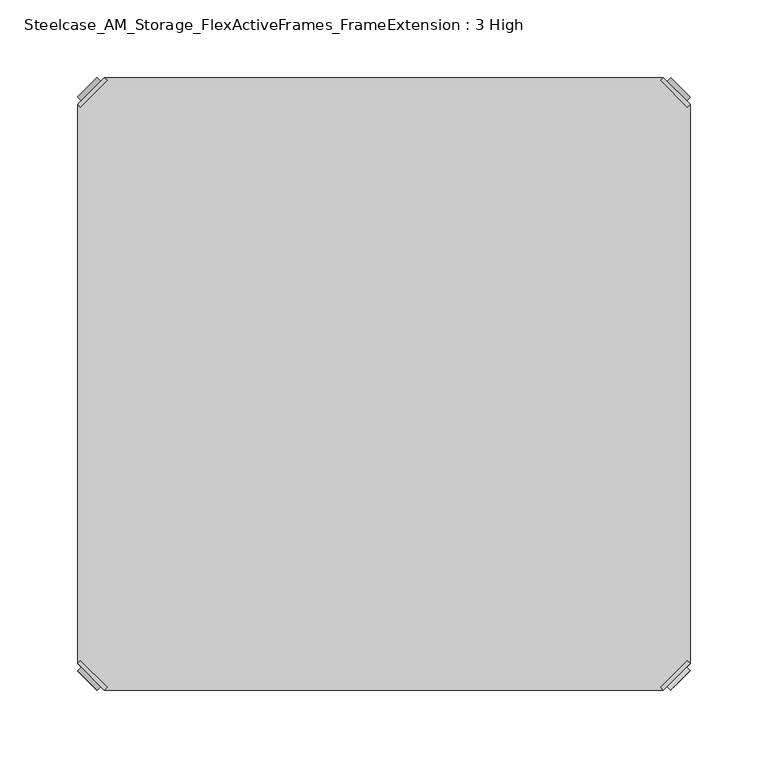
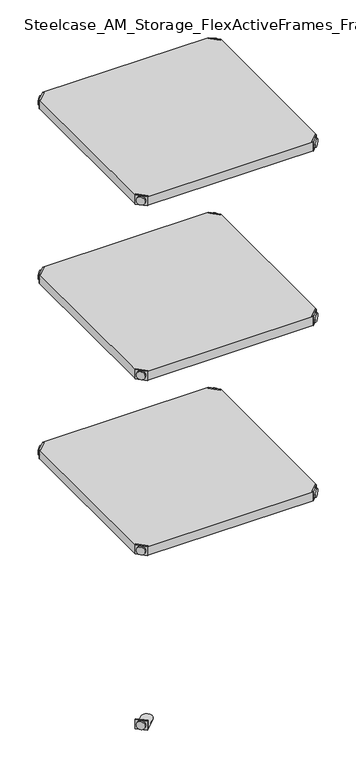
"""IFC4 building model written with IfcOpenShell, lengths in millimetres: furniture geometry, Steelcase_AM_Storage_FlexActiveFrames_FrameExtension : 3 High."""

from ifc_helpers import new_model, si_unit, frame, origin, place, context, project, spatial, polyline, circle_curve, outline, extrude, source, transform, mapped, element, save
from ifc_brep_helpers import plane_surface, cylinder_surface, advanced_brep


def steelcase_am_storage_flexactiveframes_frameextension_3_high_4e09708e(model_context):
    return source(origin(), model_context, "Body", "SolidModel", [
        advanced_brep(
        [(2.54, -380.2870969, 923.29), (19.7629031, -397.51, 923.29), (21.5589544, -395.7139488, 923.29), (4.3360512, -378.4910456, 923.29), (2.54, -380.2870969, 901.954), (19.7629031, -397.51, 901.954), (4.8652723, -382.6123691, 913.13), (17.4376309, -395.1847277, 913.13), (30.2920522, -352.5350447, 902.97), (4.3360512, -378.4910456, 902.97), (21.5589544, -395.7139488, 902.97), (47.5149553, -369.7579478, 902.97), (30.2920522, -352.5350447, 901.954), (47.5149553, -369.7579478, 901.954), (15.1227513, -397.4996073, 913.13), (2.5503927, -384.9272487, 913.13)],
        [
            (0, 1),
            (1, 2),
            (2, 3),
            (3, 0),
            (0, 4),
            (4, 5),
            (5, 1),
            (6, 7, circle_curve(frame((11.1514516, -388.8985484, 913.13), z_axis=(0.7071067811865446, 0.7071067811865505, 0.0), x_axis=(-0.7071067811865505, 0.7071067811865446, 0.0)), 8.89)),
            (7, 6, circle_curve(frame((11.1514516, -388.8985484, 913.13), z_axis=(0.7071067811865446, 0.7071067811865505, 0.0), x_axis=(-0.7071067811865505, 0.7071067811865446, 0.0)), 8.89)),
            (8, 9),
            (9, 10),
            (10, 11),
            (11, 8, circle_curve(frame((38.9035037, -361.1464963, 902.97), z_axis=(0.0, 0.0, 1.0), x_axis=(1.0, 0.0, 0.0)), 12.1784316)),
            (12, 13, circle_curve(frame((38.9035037, -361.1464963, 901.954), z_axis=(0.0, 0.0, -1.0), x_axis=(1.0, 0.0, 0.0)), 12.1784316)),
            (13, 5),
            (4, 12),
            (14, 15, circle_curve(frame((8.836572, -391.213428, 913.13), z_axis=(-0.7071067811865446, -0.7071067811865505, 0.0), x_axis=(-0.7071067811865505, 0.7071067811865446, 0.0)), 8.89)),
            (15, 14, circle_curve(frame((8.836572, -391.213428, 913.13), z_axis=(-0.7071067811865446, -0.7071067811865505, 0.0), x_axis=(-0.7071067811865505, 0.7071067811865446, 0.0)), 8.89)),
            (15, 6),
            (7, 14),
            (2, 10),
            (9, 3),
            (11, 13),
            (12, 8),
        ],
        [
            plane_surface(frame((-19.6579872, -402.485084, 923.29), z_axis=(0.0, 0.0, 1.0000000000000002), x_axis=(0.7071067811865436, 0.7071067811865516, 0.0))),
            plane_surface(frame((19.7629031, -397.51, 923.29), z_axis=(-0.7071067811865447, -0.7071067811865503, 0.0), x_axis=(0.0, 0.0, -1.0))),
            plane_surface(frame((51.0819353, -361.1464963, 902.97), z_axis=(0.0, 0.0, 1.0), x_axis=(0.0, -1.0, 0.0))),
            plane_surface(frame((51.0819353, -361.1464963, 901.954), z_axis=(0.0, 0.0, -1.0), x_axis=(0.0, 1.0, 0.0))),
            plane_surface(frame((2.5503927, -384.9272487, 913.13), z_axis=(-0.7071067811865446, -0.7071067811865505, 0.0), x_axis=(0.0, 0.0, 1.0))),
            cylinder_surface(frame((11.1514516, -388.8985484, 913.13), z_axis=(-0.7071067811865446, -0.7071067811865505, 0.0), x_axis=(-0.7071067811865505, 0.7071067811865446, 0.0)), 8.89),
            plane_surface(frame((4.3360512, -378.4910456, 923.29), z_axis=(0.7071067811865447, 0.7071067811865503, 0.0), x_axis=(0.0, 0.0, -1.0))),
            cylinder_surface(frame((38.9035037, -361.1464963, 901.954), z_axis=(0.0, 0.0, 1.0), x_axis=(1.0, 0.0, 0.0)), 12.1784316),
            plane_surface(frame((2.54, -380.2870969, 923.29), z_axis=(-0.7071067811865516, 0.7071067811865436, 0.0), x_axis=(0.0, 0.0, -1.0))),
            plane_surface(frame((21.5589544, -395.7139488, 923.29), z_axis=(0.7071067811865513, -0.7071067811865437, 0.0), x_axis=(0.0, 0.0, -1.0))),
        ],
        [
            (0, [[1, 2, 3, 4]]),
            (1, [[5, 6, 7, -1], [8, 9]]),
            (2, [[10, 11, 12, 13]]),
            (3, [[14, 15, -6, 16]]),
            (4, [[17, 18]]),
            (5, [[19, -9, 20, -18]]),
            (5, [[-20, -8, -19, -17]]),
            (6, [[21, -11, 22, -3]]),
            (7, [[23, -14, 24, -13]]),
            (8, [[-22, -10, -24, -16, -5, -4]]),
            (9, [[-7, -15, -23, -12, -21, -2]]),
        ],
    ),
        advanced_brep(
        [(397.51, -380.2870969, 923.29), (395.7139488, -378.4910456, 923.29), (378.4910456, -395.7139488, 923.29), (380.2870969, -397.51, 923.29), (380.2870969, -397.51, 901.954), (397.51, -380.2870969, 901.954), (395.1847277, -382.6123691, 913.13), (382.6123691, -395.1847277, 913.13), (369.7579478, -352.5350447, 902.97), (352.5350447, -369.7579478, 902.97), (378.4910456, -395.7139488, 902.97), (395.7139488, -378.4910456, 902.97), (369.7579478, -352.5350447, 901.954), (352.5350447, -369.7579478, 901.954), (384.9272487, -397.4996073, 913.13), (397.4996073, -384.9272487, 913.13)],
        [
            (0, 1),
            (1, 2),
            (2, 3),
            (3, 0),
            (3, 4),
            (4, 5),
            (5, 0),
            (6, 7, circle_curve(frame((388.8985484, -388.8985484, 913.13), z_axis=(-0.7071067811865446, 0.7071067811865505, 0.0), x_axis=(0.7071067811865505, 0.7071067811865446, 0.0)), 8.89)),
            (7, 6, circle_curve(frame((388.8985484, -388.8985484, 913.13), z_axis=(-0.7071067811865446, 0.7071067811865505, 0.0), x_axis=(0.7071067811865505, 0.7071067811865446, 0.0)), 8.89)),
            (8, 9, circle_curve(frame((361.1464963, -361.1464963, 902.97), z_axis=(0.0, 0.0, 1.0), x_axis=(-1.0, 0.0, 0.0)), 12.1784316)),
            (9, 10),
            (10, 11),
            (11, 8),
            (12, 5),
            (4, 13),
            (13, 12, circle_curve(frame((361.1464963, -361.1464963, 901.954), z_axis=(0.0, 0.0, -1.0), x_axis=(-1.0, 0.0, 0.0)), 12.1784316)),
            (14, 15, circle_curve(frame((391.213428, -391.213428, 913.13), z_axis=(0.7071067811865446, -0.7071067811865505, 0.0), x_axis=(0.7071067811865505, 0.7071067811865446, 0.0)), 8.89)),
            (15, 14, circle_curve(frame((391.213428, -391.213428, 913.13), z_axis=(0.7071067811865446, -0.7071067811865505, 0.0), x_axis=(0.7071067811865505, 0.7071067811865446, 0.0)), 8.89)),
            (14, 7),
            (6, 15),
            (1, 11),
            (10, 2),
            (8, 12),
            (13, 9),
        ],
        [
            plane_surface(frame((419.7079872, -402.485084, 923.29), z_axis=(0.0, 0.0, 1.0000000000000002), x_axis=(-0.7071067811865436, 0.7071067811865516, 0.0))),
            plane_surface(frame((380.2870969, -397.51, 923.29), z_axis=(0.7071067811865447, -0.7071067811865503, 0.0), x_axis=(0.0, 0.0, -1.0))),
            plane_surface(frame((348.9680647, -361.1464963, 902.97), z_axis=(0.0, 0.0, 1.0), x_axis=(0.0, -1.0, 0.0))),
            plane_surface(frame((348.9680647, -361.1464963, 901.954), z_axis=(0.0, 0.0, -1.0), x_axis=(0.0, 1.0, 0.0))),
            plane_surface(frame((397.4996073, -384.9272487, 913.13), z_axis=(0.7071067811865446, -0.7071067811865505, 0.0), x_axis=(0.0, 0.0, 1.0))),
            cylinder_surface(frame((388.8985484, -388.8985484, 913.13), z_axis=(0.7071067811865446, -0.7071067811865505, 0.0), x_axis=(0.7071067811865505, 0.7071067811865446, 0.0)), 8.89),
            plane_surface(frame((395.7139488, -378.4910456, 923.29), z_axis=(-0.7071067811865447, 0.7071067811865503, 0.0), x_axis=(0.0, 0.0, -1.0))),
            cylinder_surface(frame((361.1464963, -361.1464963, 901.954), z_axis=(0.0, 0.0, 1.0), x_axis=(-1.0, 0.0, 0.0)), 12.1784316),
            plane_surface(frame((397.51, -380.2870969, 923.29), z_axis=(0.7071067811865516, 0.7071067811865436, 0.0), x_axis=(0.0, 0.0, -1.0))),
            plane_surface(frame((378.4910456, -395.7139488, 923.29), z_axis=(-0.7071067811865513, -0.7071067811865437, 0.0), x_axis=(0.0, 0.0, -1.0))),
        ],
        [
            (0, [[1, 2, 3, 4]]),
            (1, [[-4, 5, 6, 7], [8, 9]]),
            (2, [[10, 11, 12, 13]]),
            (3, [[14, -6, 15, 16]]),
            (4, [[17, 18]]),
            (5, [[-17, 19, -8, 20]]),
            (5, [[-18, -20, -9, -19]]),
            (6, [[-2, 21, -12, 22]]),
            (7, [[-10, 23, -16, 24]]),
            (8, [[-1, -7, -14, -23, -13, -21]]),
            (9, [[-3, -22, -11, -24, -15, -5]]),
        ],
    ),
        advanced_brep(
        [(397.51, -19.7629031, 923.29), (380.2870969, -2.54, 923.29), (378.4910456, -4.3360512, 923.29), (395.7139488, -21.5589544, 923.29), (397.51, -19.7629031, 901.954), (380.2870969, -2.54, 901.954), (395.1847277, -17.4376309, 913.13), (382.6123691, -4.8652723, 913.13), (369.7579478, -47.5149553, 902.97), (395.7139488, -21.5589544, 902.97), (378.4910456, -4.3360512, 902.97), (352.5350447, -30.2920522, 902.97), (369.7579478, -47.5149553, 901.954), (352.5350447, -30.2920522, 901.954), (384.9272487, -2.5503927, 913.13), (397.4996073, -15.1227513, 913.13)],
        [
            (0, 1),
            (1, 2),
            (2, 3),
            (3, 0),
            (0, 4),
            (4, 5),
            (5, 1),
            (6, 7, circle_curve(frame((388.8985484, -11.1514516, 913.13), z_axis=(-0.7071067811865469, -0.7071067811865481, 0.0), x_axis=(0.7071067811865481, -0.7071067811865469, 0.0)), 8.89)),
            (7, 6, circle_curve(frame((388.8985484, -11.1514516, 913.13), z_axis=(-0.7071067811865469, -0.7071067811865481, 0.0), x_axis=(0.7071067811865481, -0.7071067811865469, 0.0)), 8.89)),
            (8, 9),
            (9, 10),
            (10, 11),
            (11, 8, circle_curve(frame((361.1464963, -38.9035037, 902.97), z_axis=(0.0, 0.0, 1.0), x_axis=(-1.0, 0.0, 0.0)), 12.1784316)),
            (12, 13, circle_curve(frame((361.1464963, -38.9035037, 901.954), z_axis=(0.0, 0.0, -1.0), x_axis=(-1.0, 0.0, 0.0)), 12.1784316)),
            (13, 5),
            (4, 12),
            (14, 15, circle_curve(frame((391.213428, -8.836572, 913.13), z_axis=(0.7071067811865469, 0.7071067811865481, 0.0), x_axis=(0.7071067811865481, -0.7071067811865469, 0.0)), 8.89)),
            (15, 14, circle_curve(frame((391.213428, -8.836572, 913.13), z_axis=(0.7071067811865469, 0.7071067811865481, 0.0), x_axis=(0.7071067811865481, -0.7071067811865469, 0.0)), 8.89)),
            (15, 6),
            (7, 14),
            (2, 10),
            (9, 3),
            (11, 13),
            (12, 8),
        ],
        [
            plane_surface(frame((419.7079872, 2.435084, 923.29), z_axis=(0.0, 0.0, 1.0000000000000002), x_axis=(-0.7071067811865459, -0.7071067811865492, 0.0))),
            plane_surface(frame((380.2870969, -2.54, 923.29), z_axis=(0.707106781186547, 0.707106781186548, 0.0), x_axis=(0.0, 0.0, -1.0))),
            plane_surface(frame((348.9680647, -38.9035037, 902.97), z_axis=(0.0, 0.0, 1.0), x_axis=(0.0, 1.0, 0.0))),
            plane_surface(frame((348.9680647, -38.9035037, 901.954), z_axis=(0.0, 0.0, -1.0), x_axis=(0.0, -1.0, 0.0))),
            plane_surface(frame((397.4996073, -15.1227513, 913.13), z_axis=(0.7071067811865469, 0.7071067811865481, 0.0), x_axis=(0.0, 0.0, 1.0))),
            cylinder_surface(frame((388.8985484, -11.1514516, 913.13), z_axis=(0.7071067811865469, 0.7071067811865481, 0.0), x_axis=(0.7071067811865481, -0.7071067811865469, 0.0)), 8.89),
            plane_surface(frame((395.7139488, -21.5589544, 923.29), z_axis=(-0.707106781186547, -0.707106781186548, 0.0), x_axis=(0.0, 0.0, -1.0))),
            cylinder_surface(frame((361.1464963, -38.9035037, 901.954), z_axis=(0.0, 0.0, 1.0), x_axis=(-1.0, 0.0, 0.0)), 12.1784316),
            plane_surface(frame((397.51, -19.7629031, 923.29), z_axis=(0.7071067811865492, -0.7071067811865459, 0.0), x_axis=(0.0, 0.0, -1.0))),
            plane_surface(frame((378.4910456, -4.3360512, 923.29), z_axis=(-0.707106781186549, 0.707106781186546, 0.0), x_axis=(0.0, 0.0, -1.0))),
        ],
        [
            (0, [[1, 2, 3, 4]]),
            (1, [[5, 6, 7, -1], [8, 9]]),
            (2, [[10, 11, 12, 13]]),
            (3, [[14, 15, -6, 16]]),
            (4, [[17, 18]]),
            (5, [[19, -9, 20, -18]]),
            (5, [[-20, -8, -19, -17]]),
            (6, [[21, -11, 22, -3]]),
            (7, [[23, -14, 24, -13]]),
            (8, [[-22, -10, -24, -16, -5, -4]]),
            (9, [[-7, -15, -23, -12, -21, -2]]),
        ],
    ),
        advanced_brep(
        [(2.54, -19.7629031, 923.29), (4.3360512, -21.5589544, 923.29), (21.5589544, -4.3360512, 923.29), (19.7629031, -2.54, 923.29), (19.7629031, -2.54, 901.954), (2.54, -19.7629031, 901.954), (4.8652723, -17.4376309, 913.13), (17.4376309, -4.8652723, 913.13), (30.2920522, -47.5149553, 902.97), (47.5149553, -30.2920522, 902.97), (21.5589544, -4.3360512, 902.97), (4.3360512, -21.5589544, 902.97), (30.2920522, -47.5149553, 901.954), (47.5149553, -30.2920522, 901.954), (15.1227513, -2.5503927, 913.13), (2.5503927, -15.1227513, 913.13)],
        [
            (0, 1),
            (1, 2),
            (2, 3),
            (3, 0),
            (3, 4),
            (4, 5),
            (5, 0),
            (6, 7, circle_curve(frame((11.1514516, -11.1514516, 913.13), z_axis=(0.7071067811865469, -0.7071067811865481, 0.0), x_axis=(-0.7071067811865481, -0.7071067811865469, 0.0)), 8.89)),
            (7, 6, circle_curve(frame((11.1514516, -11.1514516, 913.13), z_axis=(0.7071067811865469, -0.7071067811865481, 0.0), x_axis=(-0.7071067811865481, -0.7071067811865469, 0.0)), 8.89)),
            (8, 9, circle_curve(frame((38.9035037, -38.9035037, 902.97), z_axis=(0.0, 0.0, 1.0), x_axis=(1.0, 0.0, 0.0)), 12.1784316)),
            (9, 10),
            (10, 11),
            (11, 8),
            (12, 5),
            (4, 13),
            (13, 12, circle_curve(frame((38.9035037, -38.9035037, 901.954), z_axis=(0.0, 0.0, -1.0), x_axis=(1.0, 0.0, 0.0)), 12.1784316)),
            (14, 15, circle_curve(frame((8.836572, -8.836572, 913.13), z_axis=(-0.7071067811865469, 0.7071067811865481, 0.0), x_axis=(-0.7071067811865481, -0.7071067811865469, 0.0)), 8.89)),
            (15, 14, circle_curve(frame((8.836572, -8.836572, 913.13), z_axis=(-0.7071067811865469, 0.7071067811865481, 0.0), x_axis=(-0.7071067811865481, -0.7071067811865469, 0.0)), 8.89)),
            (14, 7),
            (6, 15),
            (1, 11),
            (10, 2),
            (8, 12),
            (13, 9),
        ],
        [
            plane_surface(frame((-19.6579872, 2.435084, 923.29), z_axis=(0.0, 0.0, 1.0000000000000002), x_axis=(0.7071067811865459, -0.7071067811865492, 0.0))),
            plane_surface(frame((19.7629031, -2.54, 923.29), z_axis=(-0.707106781186547, 0.707106781186548, 0.0), x_axis=(0.0, 0.0, -1.0))),
            plane_surface(frame((51.0819353, -38.9035037, 902.97), z_axis=(0.0, 0.0, 1.0), x_axis=(0.0, 1.0, 0.0))),
            plane_surface(frame((51.0819353, -38.9035037, 901.954), z_axis=(0.0, 0.0, -1.0), x_axis=(0.0, -1.0, 0.0))),
            plane_surface(frame((2.5503927, -15.1227513, 913.13), z_axis=(-0.7071067811865469, 0.7071067811865481, 0.0), x_axis=(0.0, 0.0, 1.0))),
            cylinder_surface(frame((11.1514516, -11.1514516, 913.13), z_axis=(-0.7071067811865469, 0.7071067811865481, 0.0), x_axis=(-0.7071067811865481, -0.7071067811865469, 0.0)), 8.89),
            plane_surface(frame((4.3360512, -21.5589544, 923.29), z_axis=(0.707106781186547, -0.707106781186548, 0.0), x_axis=(0.0, 0.0, -1.0))),
            cylinder_surface(frame((38.9035037, -38.9035037, 901.954), z_axis=(0.0, 0.0, 1.0), x_axis=(1.0, 0.0, 0.0)), 12.1784316),
            plane_surface(frame((2.54, -19.7629031, 923.29), z_axis=(-0.7071067811865492, -0.7071067811865459, 0.0), x_axis=(0.0, 0.0, -1.0))),
            plane_surface(frame((21.5589544, -4.3360512, 923.29), z_axis=(0.707106781186549, 0.707106781186546, 0.0), x_axis=(0.0, 0.0, -1.0))),
        ],
        [
            (0, [[1, 2, 3, 4]]),
            (1, [[-4, 5, 6, 7], [8, 9]]),
            (2, [[10, 11, 12, 13]]),
            (3, [[14, -6, 15, 16]]),
            (4, [[17, 18]]),
            (5, [[-17, 19, -8, 20]]),
            (5, [[-18, -20, -9, -19]]),
            (6, [[-2, 21, -12, 22]]),
            (7, [[-10, 23, -16, 24]]),
            (8, [[-1, -7, -14, -23, -13, -21]]),
            (9, [[-3, -22, -11, -24, -15, -5]]),
        ],
    ),
        extrude(outline(polyline([(19.7629031, -2.54), (380.2870969, -2.54), (378.4910456, -4.3360512), (395.7139488, -21.5589544), (397.51, -19.7629031), (397.51, -380.2870969), (395.7139488, -378.4910456), (378.4910456, -395.7139488), (380.2870969, -397.51), (19.7629031, -397.51), (21.5589544, -395.7139488), (4.3360512, -378.4910456), (2.54, -380.2870969), (2.54, -19.7629031), (4.3360512, -21.5589544), (21.5589544, -4.3360512), (19.7629031, -2.54)])), frame((0.0, 0.0, 902.97), z_axis=(0.0, 0.0, 1.0), x_axis=(1.0, 0.0, 0.0)), (0.0, 0.0, 1.0), 20.32),
        advanced_brep(
        [(2.54, -380.2870969, 520.2936), (19.7629031, -397.51, 520.2936), (21.5589544, -395.7139488, 520.2936), (4.3360512, -378.4910456, 520.2936), (2.54, -380.2870969, 498.9576), (19.7629031, -397.51, 498.9576), (4.8652723, -382.6123691, 510.1336), (17.4376309, -395.1847277, 510.1336), (30.2920522, -352.5350447, 499.9736), (4.3360512, -378.4910456, 499.9736), (21.5589544, -395.7139488, 499.9736), (47.5149553, -369.7579478, 499.9736), (30.2920522, -352.5350447, 498.9576), (47.5149553, -369.7579478, 498.9576), (15.1227513, -397.4996073, 510.1336), (2.5503927, -384.9272487, 510.1336)],
        [
            (0, 1),
            (1, 2),
            (2, 3),
            (3, 0),
            (0, 4),
            (4, 5),
            (5, 1),
            (6, 7, circle_curve(frame((11.1514516, -388.8985484, 510.1336), z_axis=(0.7071067811865446, 0.7071067811865505, 0.0), x_axis=(-0.7071067811865505, 0.7071067811865446, 0.0)), 8.89)),
            (7, 6, circle_curve(frame((11.1514516, -388.8985484, 510.1336), z_axis=(0.7071067811865446, 0.7071067811865505, 0.0), x_axis=(-0.7071067811865505, 0.7071067811865446, 0.0)), 8.89)),
            (8, 9),
            (9, 10),
            (10, 11),
            (11, 8, circle_curve(frame((38.9035037, -361.1464963, 499.9736), z_axis=(0.0, 0.0, 1.0), x_axis=(1.0, 0.0, 0.0)), 12.1784316)),
            (12, 13, circle_curve(frame((38.9035037, -361.1464963, 498.9576), z_axis=(0.0, 0.0, -1.0), x_axis=(1.0, 0.0, 0.0)), 12.1784316)),
            (13, 5),
            (4, 12),
            (14, 15, circle_curve(frame((8.836572, -391.213428, 510.1336), z_axis=(-0.7071067811865446, -0.7071067811865505, 0.0), x_axis=(-0.7071067811865505, 0.7071067811865446, 0.0)), 8.89)),
            (15, 14, circle_curve(frame((8.836572, -391.213428, 510.1336), z_axis=(-0.7071067811865446, -0.7071067811865505, 0.0), x_axis=(-0.7071067811865505, 0.7071067811865446, 0.0)), 8.89)),
            (15, 6),
            (7, 14),
            (2, 10),
            (9, 3),
            (11, 13),
            (12, 8),
        ],
        [
            plane_surface(frame((-19.6579872, -402.485084, 520.2936), z_axis=(0.0, 0.0, 1.0000000000000002), x_axis=(0.7071067811865436, 0.7071067811865516, 0.0))),
            plane_surface(frame((19.7629031, -397.51, 520.2936), z_axis=(-0.7071067811865447, -0.7071067811865503, 0.0), x_axis=(0.0, 0.0, -1.0))),
            plane_surface(frame((51.0819353, -361.1464963, 499.9736), z_axis=(0.0, 0.0, 1.0), x_axis=(0.0, -1.0, 0.0))),
            plane_surface(frame((51.0819353, -361.1464963, 498.9576), z_axis=(0.0, 0.0, -1.0), x_axis=(0.0, 1.0, 0.0))),
            plane_surface(frame((2.5503927, -384.9272487, 510.1336), z_axis=(-0.7071067811865446, -0.7071067811865505, 0.0), x_axis=(0.0, 0.0, 1.0))),
            cylinder_surface(frame((11.1514516, -388.8985484, 510.1336), z_axis=(-0.7071067811865446, -0.7071067811865505, 0.0), x_axis=(-0.7071067811865505, 0.7071067811865446, 0.0)), 8.89),
            plane_surface(frame((4.3360512, -378.4910456, 520.2936), z_axis=(0.7071067811865447, 0.7071067811865503, 0.0), x_axis=(0.0, 0.0, -1.0))),
            cylinder_surface(frame((38.9035037, -361.1464963, 498.9576), z_axis=(0.0, 0.0, 1.0), x_axis=(1.0, 0.0, 0.0)), 12.1784316),
            plane_surface(frame((2.54, -380.2870969, 520.2936), z_axis=(-0.7071067811865516, 0.7071067811865436, 0.0), x_axis=(0.0, 0.0, -1.0))),
            plane_surface(frame((21.5589544, -395.7139488, 520.2936), z_axis=(0.7071067811865513, -0.7071067811865437, 0.0), x_axis=(0.0, 0.0, -1.0))),
        ],
        [
            (0, [[1, 2, 3, 4]]),
            (1, [[5, 6, 7, -1], [8, 9]]),
            (2, [[10, 11, 12, 13]]),
            (3, [[14, 15, -6, 16]]),
            (4, [[17, 18]]),
            (5, [[19, -9, 20, -18]]),
            (5, [[-20, -8, -19, -17]]),
            (6, [[21, -11, 22, -3]]),
            (7, [[23, -14, 24, -13]]),
            (8, [[-22, -10, -24, -16, -5, -4]]),
            (9, [[-7, -15, -23, -12, -21, -2]]),
        ],
    ),
        advanced_brep(
        [(397.51, -380.2870969, 520.2936), (395.7139488, -378.4910456, 520.2936), (378.4910456, -395.7139488, 520.2936), (380.2870969, -397.51, 520.2936), (380.2870969, -397.51, 498.9576), (397.51, -380.2870969, 498.9576), (395.1847277, -382.6123691, 510.1336), (382.6123691, -395.1847277, 510.1336), (369.7579478, -352.5350447, 499.9736), (352.5350447, -369.7579478, 499.9736), (378.4910456, -395.7139488, 499.9736), (395.7139488, -378.4910456, 499.9736), (369.7579478, -352.5350447, 498.9576), (352.5350447, -369.7579478, 498.9576), (384.9272487, -397.4996073, 510.1336), (397.4996073, -384.9272487, 510.1336)],
        [
            (0, 1),
            (1, 2),
            (2, 3),
            (3, 0),
            (3, 4),
            (4, 5),
            (5, 0),
            (6, 7, circle_curve(frame((388.8985484, -388.8985484, 510.1336), z_axis=(-0.7071067811865446, 0.7071067811865505, 0.0), x_axis=(0.7071067811865505, 0.7071067811865446, 0.0)), 8.89)),
            (7, 6, circle_curve(frame((388.8985484, -388.8985484, 510.1336), z_axis=(-0.7071067811865446, 0.7071067811865505, 0.0), x_axis=(0.7071067811865505, 0.7071067811865446, 0.0)), 8.89)),
            (8, 9, circle_curve(frame((361.1464963, -361.1464963, 499.9736), z_axis=(0.0, 0.0, 1.0), x_axis=(-1.0, 0.0, 0.0)), 12.1784316)),
            (9, 10),
            (10, 11),
            (11, 8),
            (12, 5),
            (4, 13),
            (13, 12, circle_curve(frame((361.1464963, -361.1464963, 498.9576), z_axis=(0.0, 0.0, -1.0), x_axis=(-1.0, 0.0, 0.0)), 12.1784316)),
            (14, 15, circle_curve(frame((391.213428, -391.213428, 510.1336), z_axis=(0.7071067811865446, -0.7071067811865505, 0.0), x_axis=(0.7071067811865505, 0.7071067811865446, 0.0)), 8.89)),
            (15, 14, circle_curve(frame((391.213428, -391.213428, 510.1336), z_axis=(0.7071067811865446, -0.7071067811865505, 0.0), x_axis=(0.7071067811865505, 0.7071067811865446, 0.0)), 8.89)),
            (14, 7),
            (6, 15),
            (1, 11),
            (10, 2),
            (8, 12),
            (13, 9),
        ],
        [
            plane_surface(frame((419.7079872, -402.485084, 520.2936), z_axis=(0.0, 0.0, 1.0000000000000002), x_axis=(-0.7071067811865436, 0.7071067811865516, 0.0))),
            plane_surface(frame((380.2870969, -397.51, 520.2936), z_axis=(0.7071067811865447, -0.7071067811865503, 0.0), x_axis=(0.0, 0.0, -1.0))),
            plane_surface(frame((348.9680647, -361.1464963, 499.9736), z_axis=(0.0, 0.0, 1.0), x_axis=(0.0, -1.0, 0.0))),
            plane_surface(frame((348.9680647, -361.1464963, 498.9576), z_axis=(0.0, 0.0, -1.0), x_axis=(0.0, 1.0, 0.0))),
            plane_surface(frame((397.4996073, -384.9272487, 510.1336), z_axis=(0.7071067811865446, -0.7071067811865505, 0.0), x_axis=(0.0, 0.0, 1.0))),
            cylinder_surface(frame((388.8985484, -388.8985484, 510.1336), z_axis=(0.7071067811865446, -0.7071067811865505, 0.0), x_axis=(0.7071067811865505, 0.7071067811865446, 0.0)), 8.89),
            plane_surface(frame((395.7139488, -378.4910456, 520.2936), z_axis=(-0.7071067811865447, 0.7071067811865503, 0.0), x_axis=(0.0, 0.0, -1.0))),
            cylinder_surface(frame((361.1464963, -361.1464963, 498.9576), z_axis=(0.0, 0.0, 1.0), x_axis=(-1.0, 0.0, 0.0)), 12.1784316),
            plane_surface(frame((397.51, -380.2870969, 520.2936), z_axis=(0.7071067811865516, 0.7071067811865436, 0.0), x_axis=(0.0, 0.0, -1.0))),
            plane_surface(frame((378.4910456, -395.7139488, 520.2936), z_axis=(-0.7071067811865513, -0.7071067811865437, 0.0), x_axis=(0.0, 0.0, -1.0))),
        ],
        [
            (0, [[1, 2, 3, 4]]),
            (1, [[-4, 5, 6, 7], [8, 9]]),
            (2, [[10, 11, 12, 13]]),
            (3, [[14, -6, 15, 16]]),
            (4, [[17, 18]]),
            (5, [[-17, 19, -8, 20]]),
            (5, [[-18, -20, -9, -19]]),
            (6, [[-2, 21, -12, 22]]),
            (7, [[-10, 23, -16, 24]]),
            (8, [[-1, -7, -14, -23, -13, -21]]),
            (9, [[-3, -22, -11, -24, -15, -5]]),
        ],
    ),
        advanced_brep(
        [(397.51, -19.7629031, 520.2936), (380.2870969, -2.54, 520.2936), (378.4910456, -4.3360512, 520.2936), (395.7139488, -21.5589544, 520.2936), (397.51, -19.7629031, 498.9576), (380.2870969, -2.54, 498.9576), (395.1847277, -17.4376309, 510.1336), (382.6123691, -4.8652723, 510.1336), (369.7579478, -47.5149553, 499.9736), (395.7139488, -21.5589544, 499.9736), (378.4910456, -4.3360512, 499.9736), (352.5350447, -30.2920522, 499.9736), (369.7579478, -47.5149553, 498.9576), (352.5350447, -30.2920522, 498.9576), (384.9272487, -2.5503927, 510.1336), (397.4996073, -15.1227513, 510.1336)],
        [
            (0, 1),
            (1, 2),
            (2, 3),
            (3, 0),
            (0, 4),
            (4, 5),
            (5, 1),
            (6, 7, circle_curve(frame((388.8985484, -11.1514516, 510.1336), z_axis=(-0.7071067811865469, -0.7071067811865481, 0.0), x_axis=(0.7071067811865481, -0.7071067811865469, 0.0)), 8.89)),
            (7, 6, circle_curve(frame((388.8985484, -11.1514516, 510.1336), z_axis=(-0.7071067811865469, -0.7071067811865481, 0.0), x_axis=(0.7071067811865481, -0.7071067811865469, 0.0)), 8.89)),
            (8, 9),
            (9, 10),
            (10, 11),
            (11, 8, circle_curve(frame((361.1464963, -38.9035037, 499.9736), z_axis=(0.0, 0.0, 1.0), x_axis=(-1.0, 0.0, 0.0)), 12.1784316)),
            (12, 13, circle_curve(frame((361.1464963, -38.9035037, 498.9576), z_axis=(0.0, 0.0, -1.0), x_axis=(-1.0, 0.0, 0.0)), 12.1784316)),
            (13, 5),
            (4, 12),
            (14, 15, circle_curve(frame((391.213428, -8.836572, 510.1336), z_axis=(0.7071067811865469, 0.7071067811865481, 0.0), x_axis=(0.7071067811865481, -0.7071067811865469, 0.0)), 8.89)),
            (15, 14, circle_curve(frame((391.213428, -8.836572, 510.1336), z_axis=(0.7071067811865469, 0.7071067811865481, 0.0), x_axis=(0.7071067811865481, -0.7071067811865469, 0.0)), 8.89)),
            (15, 6),
            (7, 14),
            (2, 10),
            (9, 3),
            (11, 13),
            (12, 8),
        ],
        [
            plane_surface(frame((419.7079872, 2.435084, 520.2936), z_axis=(0.0, 0.0, 1.0000000000000002), x_axis=(-0.7071067811865459, -0.7071067811865492, 0.0))),
            plane_surface(frame((380.2870969, -2.54, 520.2936), z_axis=(0.707106781186547, 0.707106781186548, 0.0), x_axis=(0.0, 0.0, -1.0))),
            plane_surface(frame((348.9680647, -38.9035037, 499.9736), z_axis=(0.0, 0.0, 1.0), x_axis=(0.0, 1.0, 0.0))),
            plane_surface(frame((348.9680647, -38.9035037, 498.9576), z_axis=(0.0, 0.0, -1.0), x_axis=(0.0, -1.0, 0.0))),
            plane_surface(frame((397.4996073, -15.1227513, 510.1336), z_axis=(0.7071067811865469, 0.7071067811865481, 0.0), x_axis=(0.0, 0.0, 1.0))),
            cylinder_surface(frame((388.8985484, -11.1514516, 510.1336), z_axis=(0.7071067811865469, 0.7071067811865481, 0.0), x_axis=(0.7071067811865481, -0.7071067811865469, 0.0)), 8.89),
            plane_surface(frame((395.7139488, -21.5589544, 520.2936), z_axis=(-0.707106781186547, -0.707106781186548, 0.0), x_axis=(0.0, 0.0, -1.0))),
            cylinder_surface(frame((361.1464963, -38.9035037, 498.9576), z_axis=(0.0, 0.0, 1.0), x_axis=(-1.0, 0.0, 0.0)), 12.1784316),
            plane_surface(frame((397.51, -19.7629031, 520.2936), z_axis=(0.7071067811865492, -0.7071067811865459, 0.0), x_axis=(0.0, 0.0, -1.0))),
            plane_surface(frame((378.4910456, -4.3360512, 520.2936), z_axis=(-0.707106781186549, 0.707106781186546, 0.0), x_axis=(0.0, 0.0, -1.0))),
        ],
        [
            (0, [[1, 2, 3, 4]]),
            (1, [[5, 6, 7, -1], [8, 9]]),
            (2, [[10, 11, 12, 13]]),
            (3, [[14, 15, -6, 16]]),
            (4, [[17, 18]]),
            (5, [[19, -9, 20, -18]]),
            (5, [[-20, -8, -19, -17]]),
            (6, [[21, -11, 22, -3]]),
            (7, [[23, -14, 24, -13]]),
            (8, [[-22, -10, -24, -16, -5, -4]]),
            (9, [[-7, -15, -23, -12, -21, -2]]),
        ],
    ),
        advanced_brep(
        [(2.54, -19.7629031, 520.2936), (4.3360512, -21.5589544, 520.2936), (21.5589544, -4.3360512, 520.2936), (19.7629031, -2.54, 520.2936), (19.7629031, -2.54, 498.9576), (2.54, -19.7629031, 498.9576), (4.8652723, -17.4376309, 510.1336), (17.4376309, -4.8652723, 510.1336), (30.2920522, -47.5149553, 499.9736), (47.5149553, -30.2920522, 499.9736), (21.5589544, -4.3360512, 499.9736), (4.3360512, -21.5589544, 499.9736), (30.2920522, -47.5149553, 498.9576), (47.5149553, -30.2920522, 498.9576), (15.1227513, -2.5503927, 510.1336), (2.5503927, -15.1227513, 510.1336)],
        [
            (0, 1),
            (1, 2),
            (2, 3),
            (3, 0),
            (3, 4),
            (4, 5),
            (5, 0),
            (6, 7, circle_curve(frame((11.1514516, -11.1514516, 510.1336), z_axis=(0.7071067811865469, -0.7071067811865481, 0.0), x_axis=(-0.7071067811865481, -0.7071067811865469, 0.0)), 8.89)),
            (7, 6, circle_curve(frame((11.1514516, -11.1514516, 510.1336), z_axis=(0.7071067811865469, -0.7071067811865481, 0.0), x_axis=(-0.7071067811865481, -0.7071067811865469, 0.0)), 8.89)),
            (8, 9, circle_curve(frame((38.9035037, -38.9035037, 499.9736), z_axis=(0.0, 0.0, 1.0), x_axis=(1.0, 0.0, 0.0)), 12.1784316)),
            (9, 10),
            (10, 11),
            (11, 8),
            (12, 5),
            (4, 13),
            (13, 12, circle_curve(frame((38.9035037, -38.9035037, 498.9576), z_axis=(0.0, 0.0, -1.0), x_axis=(1.0, 0.0, 0.0)), 12.1784316)),
            (14, 15, circle_curve(frame((8.836572, -8.836572, 510.1336), z_axis=(-0.7071067811865469, 0.7071067811865481, 0.0), x_axis=(-0.7071067811865481, -0.7071067811865469, 0.0)), 8.89)),
            (15, 14, circle_curve(frame((8.836572, -8.836572, 510.1336), z_axis=(-0.7071067811865469, 0.7071067811865481, 0.0), x_axis=(-0.7071067811865481, -0.7071067811865469, 0.0)), 8.89)),
            (14, 7),
            (6, 15),
            (1, 11),
            (10, 2),
            (8, 12),
            (13, 9),
        ],
        [
            plane_surface(frame((-19.6579872, 2.435084, 520.2936), z_axis=(0.0, 0.0, 1.0000000000000002), x_axis=(0.7071067811865459, -0.7071067811865492, 0.0))),
            plane_surface(frame((19.7629031, -2.54, 520.2936), z_axis=(-0.707106781186547, 0.707106781186548, 0.0), x_axis=(0.0, 0.0, -1.0))),
            plane_surface(frame((51.0819353, -38.9035037, 499.9736), z_axis=(0.0, 0.0, 1.0), x_axis=(0.0, 1.0, 0.0))),
            plane_surface(frame((51.0819353, -38.9035037, 498.9576), z_axis=(0.0, 0.0, -1.0), x_axis=(0.0, -1.0, 0.0))),
            plane_surface(frame((2.5503927, -15.1227513, 510.1336), z_axis=(-0.7071067811865469, 0.7071067811865481, 0.0), x_axis=(0.0, 0.0, 1.0))),
            cylinder_surface(frame((11.1514516, -11.1514516, 510.1336), z_axis=(-0.7071067811865469, 0.7071067811865481, 0.0), x_axis=(-0.7071067811865481, -0.7071067811865469, 0.0)), 8.89),
            plane_surface(frame((4.3360512, -21.5589544, 520.2936), z_axis=(0.707106781186547, -0.707106781186548, 0.0), x_axis=(0.0, 0.0, -1.0))),
            cylinder_surface(frame((38.9035037, -38.9035037, 498.9576), z_axis=(0.0, 0.0, 1.0), x_axis=(1.0, 0.0, 0.0)), 12.1784316),
            plane_surface(frame((2.54, -19.7629031, 520.2936), z_axis=(-0.7071067811865492, -0.7071067811865459, 0.0), x_axis=(0.0, 0.0, -1.0))),
            plane_surface(frame((21.5589544, -4.3360512, 520.2936), z_axis=(0.707106781186549, 0.707106781186546, 0.0), x_axis=(0.0, 0.0, -1.0))),
        ],
        [
            (0, [[1, 2, 3, 4]]),
            (1, [[-4, 5, 6, 7], [8, 9]]),
            (2, [[10, 11, 12, 13]]),
            (3, [[14, -6, 15, 16]]),
            (4, [[17, 18]]),
            (5, [[-17, 19, -8, 20]]),
            (5, [[-18, -20, -9, -19]]),
            (6, [[-2, 21, -12, 22]]),
            (7, [[-10, 23, -16, 24]]),
            (8, [[-1, -7, -14, -23, -13, -21]]),
            (9, [[-3, -22, -11, -24, -15, -5]]),
        ],
    ),
        extrude(outline(polyline([(19.7629031, -2.54), (380.2870969, -2.54), (378.4910456, -4.3360512), (395.7139488, -21.5589544), (397.51, -19.7629031), (397.51, -380.2870969), (395.7139488, -378.4910456), (378.4910456, -395.7139488), (380.2870969, -397.51), (19.7629031, -397.51), (21.5589544, -395.7139488), (4.3360512, -378.4910456), (2.54, -380.2870969), (2.54, -19.7629031), (4.3360512, -21.5589544), (21.5589544, -4.3360512), (19.7629031, -2.54)])), frame((0.0, 0.0, 499.9736), z_axis=(0.0, 0.0, 1.0), x_axis=(1.0, 0.0, 0.0)), (0.0, 0.0, 1.0), 20.32),
        advanced_brep(
        [(2.54, -380.2870969, 1324.61), (19.7629031, -397.51, 1324.61), (21.5589544, -395.7139488, 1324.61), (4.3360512, -378.4910456, 1324.61), (2.54, -380.2870969, 1303.274), (19.7629031, -397.51, 1303.274), (4.8652723, -382.6123691, 1314.45), (17.4376309, -395.1847277, 1314.45), (30.2920522, -352.5350447, 1304.29), (4.3360512, -378.4910456, 1304.29), (21.5589544, -395.7139488, 1304.29), (47.5149553, -369.7579478, 1304.29), (30.2920522, -352.5350447, 1303.274), (47.5149553, -369.7579478, 1303.274), (15.1227513, -397.4996073, 1314.45), (2.5503927, -384.9272487, 1314.45)],
        [
            (0, 1),
            (1, 2),
            (2, 3),
            (3, 0),
            (0, 4),
            (4, 5),
            (5, 1),
            (6, 7, circle_curve(frame((11.1514516, -388.8985484, 1314.45), z_axis=(0.7071067811865446, 0.7071067811865505, 0.0), x_axis=(-0.7071067811865505, 0.7071067811865446, 0.0)), 8.89)),
            (7, 6, circle_curve(frame((11.1514516, -388.8985484, 1314.45), z_axis=(0.7071067811865446, 0.7071067811865505, 0.0), x_axis=(-0.7071067811865505, 0.7071067811865446, 0.0)), 8.89)),
            (8, 9),
            (9, 10),
            (10, 11),
            (11, 8, circle_curve(frame((38.9035037, -361.1464963, 1304.29), z_axis=(0.0, 0.0, 1.0), x_axis=(1.0, 0.0, 0.0)), 12.1784316)),
            (12, 13, circle_curve(frame((38.9035037, -361.1464963, 1303.274), z_axis=(0.0, 0.0, -1.0), x_axis=(1.0, 0.0, 0.0)), 12.1784316)),
            (13, 5),
            (4, 12),
            (14, 15, circle_curve(frame((8.836572, -391.213428, 1314.45), z_axis=(-0.7071067811865446, -0.7071067811865505, 0.0), x_axis=(-0.7071067811865505, 0.7071067811865446, 0.0)), 8.89)),
            (15, 14, circle_curve(frame((8.836572, -391.213428, 1314.45), z_axis=(-0.7071067811865446, -0.7071067811865505, 0.0), x_axis=(-0.7071067811865505, 0.7071067811865446, 0.0)), 8.89)),
            (15, 6),
            (7, 14),
            (2, 10),
            (9, 3),
            (11, 13),
            (12, 8),
        ],
        [
            plane_surface(frame((-19.6579872, -402.485084, 1324.61), z_axis=(0.0, 0.0, 1.0000000000000002), x_axis=(0.7071067811865436, 0.7071067811865516, 0.0))),
            plane_surface(frame((19.7629031, -397.51, 1324.61), z_axis=(-0.7071067811865447, -0.7071067811865503, 0.0), x_axis=(0.0, 0.0, -1.0))),
            plane_surface(frame((51.0819353, -361.1464963, 1304.29), z_axis=(0.0, 0.0, 1.0), x_axis=(0.0, -1.0, 0.0))),
            plane_surface(frame((51.0819353, -361.1464963, 1303.274), z_axis=(0.0, 0.0, -1.0), x_axis=(0.0, 1.0, 0.0))),
            plane_surface(frame((2.5503927, -384.9272487, 1314.45), z_axis=(-0.7071067811865446, -0.7071067811865505, 0.0), x_axis=(0.0, 0.0, 1.0))),
            cylinder_surface(frame((11.1514516, -388.8985484, 1314.45), z_axis=(-0.7071067811865446, -0.7071067811865505, 0.0), x_axis=(-0.7071067811865505, 0.7071067811865446, 0.0)), 8.89),
            plane_surface(frame((4.3360512, -378.4910456, 1324.61), z_axis=(0.7071067811865447, 0.7071067811865503, 0.0), x_axis=(0.0, 0.0, -1.0))),
            cylinder_surface(frame((38.9035037, -361.1464963, 1303.274), z_axis=(0.0, 0.0, 1.0), x_axis=(1.0, 0.0, 0.0)), 12.1784316),
            plane_surface(frame((2.54, -380.2870969, 1324.61), z_axis=(-0.7071067811865516, 0.7071067811865436, 0.0), x_axis=(0.0, 0.0, -1.0))),
            plane_surface(frame((21.5589544, -395.7139488, 1324.61), z_axis=(0.7071067811865513, -0.7071067811865437, 0.0), x_axis=(0.0, 0.0, -1.0))),
        ],
        [
            (0, [[1, 2, 3, 4]]),
            (1, [[5, 6, 7, -1], [8, 9]]),
            (2, [[10, 11, 12, 13]]),
            (3, [[14, 15, -6, 16]]),
            (4, [[17, 18]]),
            (5, [[19, -9, 20, -18]]),
            (5, [[-20, -8, -19, -17]]),
            (6, [[21, -11, 22, -3]]),
            (7, [[23, -14, 24, -13]]),
            (8, [[-22, -10, -24, -16, -5, -4]]),
            (9, [[-7, -15, -23, -12, -21, -2]]),
        ],
    ),
        advanced_brep(
        [(397.51, -380.2870969, 1324.61), (395.7139488, -378.4910456, 1324.61), (378.4910456, -395.7139488, 1324.61), (380.2870969, -397.51, 1324.61), (380.2870969, -397.51, 1303.274), (397.51, -380.2870969, 1303.274), (395.1847277, -382.6123691, 1314.45), (382.6123691, -395.1847277, 1314.45), (369.7579478, -352.5350447, 1304.29), (352.5350447, -369.7579478, 1304.29), (378.4910456, -395.7139488, 1304.29), (395.7139488, -378.4910456, 1304.29), (369.7579478, -352.5350447, 1303.274), (352.5350447, -369.7579478, 1303.274), (384.9272487, -397.4996073, 1314.45), (397.4996073, -384.9272487, 1314.45)],
        [
            (0, 1),
            (1, 2),
            (2, 3),
            (3, 0),
            (3, 4),
            (4, 5),
            (5, 0),
            (6, 7, circle_curve(frame((388.8985484, -388.8985484, 1314.45), z_axis=(-0.7071067811865446, 0.7071067811865505, 0.0), x_axis=(0.7071067811865505, 0.7071067811865446, 0.0)), 8.89)),
            (7, 6, circle_curve(frame((388.8985484, -388.8985484, 1314.45), z_axis=(-0.7071067811865446, 0.7071067811865505, 0.0), x_axis=(0.7071067811865505, 0.7071067811865446, 0.0)), 8.89)),
            (8, 9, circle_curve(frame((361.1464963, -361.1464963, 1304.29), z_axis=(0.0, 0.0, 1.0), x_axis=(-1.0, 0.0, 0.0)), 12.1784316)),
            (9, 10),
            (10, 11),
            (11, 8),
            (12, 5),
            (4, 13),
            (13, 12, circle_curve(frame((361.1464963, -361.1464963, 1303.274), z_axis=(0.0, 0.0, -1.0), x_axis=(-1.0, 0.0, 0.0)), 12.1784316)),
            (14, 15, circle_curve(frame((391.213428, -391.213428, 1314.45), z_axis=(0.7071067811865446, -0.7071067811865505, 0.0), x_axis=(0.7071067811865505, 0.7071067811865446, 0.0)), 8.89)),
            (15, 14, circle_curve(frame((391.213428, -391.213428, 1314.45), z_axis=(0.7071067811865446, -0.7071067811865505, 0.0), x_axis=(0.7071067811865505, 0.7071067811865446, 0.0)), 8.89)),
            (14, 7),
            (6, 15),
            (1, 11),
            (10, 2),
            (8, 12),
            (13, 9),
        ],
        [
            plane_surface(frame((419.7079872, -402.485084, 1324.61), z_axis=(0.0, 0.0, 1.0000000000000002), x_axis=(-0.7071067811865436, 0.7071067811865516, 0.0))),
            plane_surface(frame((380.2870969, -397.51, 1324.61), z_axis=(0.7071067811865447, -0.7071067811865503, 0.0), x_axis=(0.0, 0.0, -1.0))),
            plane_surface(frame((348.9680647, -361.1464963, 1304.29), z_axis=(0.0, 0.0, 1.0), x_axis=(0.0, -1.0, 0.0))),
            plane_surface(frame((348.9680647, -361.1464963, 1303.274), z_axis=(0.0, 0.0, -1.0), x_axis=(0.0, 1.0, 0.0))),
            plane_surface(frame((397.4996073, -384.9272487, 1314.45), z_axis=(0.7071067811865446, -0.7071067811865505, 0.0), x_axis=(0.0, 0.0, 1.0))),
            cylinder_surface(frame((388.8985484, -388.8985484, 1314.45), z_axis=(0.7071067811865446, -0.7071067811865505, 0.0), x_axis=(0.7071067811865505, 0.7071067811865446, 0.0)), 8.89),
            plane_surface(frame((395.7139488, -378.4910456, 1324.61), z_axis=(-0.7071067811865447, 0.7071067811865503, 0.0), x_axis=(0.0, 0.0, -1.0))),
            cylinder_surface(frame((361.1464963, -361.1464963, 1303.274), z_axis=(0.0, 0.0, 1.0), x_axis=(-1.0, 0.0, 0.0)), 12.1784316),
            plane_surface(frame((397.51, -380.2870969, 1324.61), z_axis=(0.7071067811865516, 0.7071067811865436, 0.0), x_axis=(0.0, 0.0, -1.0))),
            plane_surface(frame((378.4910456, -395.7139488, 1324.61), z_axis=(-0.7071067811865513, -0.7071067811865437, 0.0), x_axis=(0.0, 0.0, -1.0))),
        ],
        [
            (0, [[1, 2, 3, 4]]),
            (1, [[-4, 5, 6, 7], [8, 9]]),
            (2, [[10, 11, 12, 13]]),
            (3, [[14, -6, 15, 16]]),
            (4, [[17, 18]]),
            (5, [[-17, 19, -8, 20]]),
            (5, [[-18, -20, -9, -19]]),
            (6, [[-2, 21, -12, 22]]),
            (7, [[-10, 23, -16, 24]]),
            (8, [[-1, -7, -14, -23, -13, -21]]),
            (9, [[-3, -22, -11, -24, -15, -5]]),
        ],
    ),
        advanced_brep(
        [(397.51, -19.7629031, 1324.61), (380.2870969, -2.54, 1324.61), (378.4910456, -4.3360512, 1324.61), (395.7139488, -21.5589544, 1324.61), (397.51, -19.7629031, 1303.274), (380.2870969, -2.54, 1303.274), (395.1847277, -17.4376309, 1314.45), (382.6123691, -4.8652723, 1314.45), (369.7579478, -47.5149553, 1304.29), (395.7139488, -21.5589544, 1304.29), (378.4910456, -4.3360512, 1304.29), (352.5350447, -30.2920522, 1304.29), (369.7579478, -47.5149553, 1303.274), (352.5350447, -30.2920522, 1303.274), (384.9272487, -2.5503927, 1314.45), (397.4996073, -15.1227513, 1314.45)],
        [
            (0, 1),
            (1, 2),
            (2, 3),
            (3, 0),
            (0, 4),
            (4, 5),
            (5, 1),
            (6, 7, circle_curve(frame((388.8985484, -11.1514516, 1314.45), z_axis=(-0.7071067811865469, -0.7071067811865481, 0.0), x_axis=(0.7071067811865481, -0.7071067811865469, 0.0)), 8.89)),
            (7, 6, circle_curve(frame((388.8985484, -11.1514516, 1314.45), z_axis=(-0.7071067811865469, -0.7071067811865481, 0.0), x_axis=(0.7071067811865481, -0.7071067811865469, 0.0)), 8.89)),
            (8, 9),
            (9, 10),
            (10, 11),
            (11, 8, circle_curve(frame((361.1464963, -38.9035037, 1304.29), z_axis=(0.0, 0.0, 1.0), x_axis=(-1.0, 0.0, 0.0)), 12.1784316)),
            (12, 13, circle_curve(frame((361.1464963, -38.9035037, 1303.274), z_axis=(0.0, 0.0, -1.0), x_axis=(-1.0, 0.0, 0.0)), 12.1784316)),
            (13, 5),
            (4, 12),
            (14, 15, circle_curve(frame((391.213428, -8.836572, 1314.45), z_axis=(0.7071067811865469, 0.7071067811865481, 0.0), x_axis=(0.7071067811865481, -0.7071067811865469, 0.0)), 8.89)),
            (15, 14, circle_curve(frame((391.213428, -8.836572, 1314.45), z_axis=(0.7071067811865469, 0.7071067811865481, 0.0), x_axis=(0.7071067811865481, -0.7071067811865469, 0.0)), 8.89)),
            (15, 6),
            (7, 14),
            (2, 10),
            (9, 3),
            (11, 13),
            (12, 8),
        ],
        [
            plane_surface(frame((419.7079872, 2.435084, 1324.61), z_axis=(0.0, 0.0, 1.0000000000000002), x_axis=(-0.7071067811865459, -0.7071067811865492, 0.0))),
            plane_surface(frame((380.2870969, -2.54, 1324.61), z_axis=(0.707106781186547, 0.707106781186548, 0.0), x_axis=(0.0, 0.0, -1.0))),
            plane_surface(frame((348.9680647, -38.9035037, 1304.29), z_axis=(0.0, 0.0, 1.0), x_axis=(0.0, 1.0, 0.0))),
            plane_surface(frame((348.9680647, -38.9035037, 1303.274), z_axis=(0.0, 0.0, -1.0), x_axis=(0.0, -1.0, 0.0))),
            plane_surface(frame((397.4996073, -15.1227513, 1314.45), z_axis=(0.7071067811865469, 0.7071067811865481, 0.0), x_axis=(0.0, 0.0, 1.0))),
            cylinder_surface(frame((388.8985484, -11.1514516, 1314.45), z_axis=(0.7071067811865469, 0.7071067811865481, 0.0), x_axis=(0.7071067811865481, -0.7071067811865469, 0.0)), 8.89),
            plane_surface(frame((395.7139488, -21.5589544, 1324.61), z_axis=(-0.707106781186547, -0.707106781186548, 0.0), x_axis=(0.0, 0.0, -1.0))),
            cylinder_surface(frame((361.1464963, -38.9035037, 1303.274), z_axis=(0.0, 0.0, 1.0), x_axis=(-1.0, 0.0, 0.0)), 12.1784316),
            plane_surface(frame((397.51, -19.7629031, 1324.61), z_axis=(0.7071067811865492, -0.7071067811865459, 0.0), x_axis=(0.0, 0.0, -1.0))),
            plane_surface(frame((378.4910456, -4.3360512, 1324.61), z_axis=(-0.707106781186549, 0.707106781186546, 0.0), x_axis=(0.0, 0.0, -1.0))),
        ],
        [
            (0, [[1, 2, 3, 4]]),
            (1, [[5, 6, 7, -1], [8, 9]]),
            (2, [[10, 11, 12, 13]]),
            (3, [[14, 15, -6, 16]]),
            (4, [[17, 18]]),
            (5, [[19, -9, 20, -18]]),
            (5, [[-20, -8, -19, -17]]),
            (6, [[21, -11, 22, -3]]),
            (7, [[23, -14, 24, -13]]),
            (8, [[-22, -10, -24, -16, -5, -4]]),
            (9, [[-7, -15, -23, -12, -21, -2]]),
        ],
    ),
        advanced_brep(
        [(2.54, -19.7629031, 1324.61), (4.3360512, -21.5589544, 1324.61), (21.5589544, -4.3360512, 1324.61), (19.7629031, -2.54, 1324.61), (19.7629031, -2.54, 1303.274), (2.54, -19.7629031, 1303.274), (4.8652723, -17.4376309, 1314.45), (17.4376309, -4.8652723, 1314.45), (30.2920522, -47.5149553, 1304.29), (47.5149553, -30.2920522, 1304.29), (21.5589544, -4.3360512, 1304.29), (4.3360512, -21.5589544, 1304.29), (30.2920522, -47.5149553, 1303.274), (47.5149553, -30.2920522, 1303.274), (15.1227513, -2.5503927, 1314.45), (2.5503927, -15.1227513, 1314.45)],
        [
            (0, 1),
            (1, 2),
            (2, 3),
            (3, 0),
            (3, 4),
            (4, 5),
            (5, 0),
            (6, 7, circle_curve(frame((11.1514516, -11.1514516, 1314.45), z_axis=(0.7071067811865469, -0.7071067811865481, 0.0), x_axis=(-0.7071067811865481, -0.7071067811865469, 0.0)), 8.89)),
            (7, 6, circle_curve(frame((11.1514516, -11.1514516, 1314.45), z_axis=(0.7071067811865469, -0.7071067811865481, 0.0), x_axis=(-0.7071067811865481, -0.7071067811865469, 0.0)), 8.89)),
            (8, 9, circle_curve(frame((38.9035037, -38.9035037, 1304.29), z_axis=(0.0, 0.0, 1.0), x_axis=(1.0, 0.0, 0.0)), 12.1784316)),
            (9, 10),
            (10, 11),
            (11, 8),
            (12, 5),
            (4, 13),
            (13, 12, circle_curve(frame((38.9035037, -38.9035037, 1303.274), z_axis=(0.0, 0.0, -1.0), x_axis=(1.0, 0.0, 0.0)), 12.1784316)),
            (14, 15, circle_curve(frame((8.836572, -8.836572, 1314.45), z_axis=(-0.7071067811865469, 0.7071067811865481, 0.0), x_axis=(-0.7071067811865481, -0.7071067811865469, 0.0)), 8.89)),
            (15, 14, circle_curve(frame((8.836572, -8.836572, 1314.45), z_axis=(-0.7071067811865469, 0.7071067811865481, 0.0), x_axis=(-0.7071067811865481, -0.7071067811865469, 0.0)), 8.89)),
            (14, 7),
            (6, 15),
            (1, 11),
            (10, 2),
            (8, 12),
            (13, 9),
        ],
        [
            plane_surface(frame((-19.6579872, 2.435084, 1324.61), z_axis=(0.0, 0.0, 1.0000000000000002), x_axis=(0.7071067811865459, -0.7071067811865492, 0.0))),
            plane_surface(frame((19.7629031, -2.54, 1324.61), z_axis=(-0.707106781186547, 0.707106781186548, 0.0), x_axis=(0.0, 0.0, -1.0))),
            plane_surface(frame((51.0819353, -38.9035037, 1304.29), z_axis=(0.0, 0.0, 1.0), x_axis=(0.0, 1.0, 0.0))),
            plane_surface(frame((51.0819353, -38.9035037, 1303.274), z_axis=(0.0, 0.0, -1.0), x_axis=(0.0, -1.0, 0.0))),
            plane_surface(frame((2.5503927, -15.1227513, 1314.45), z_axis=(-0.7071067811865469, 0.7071067811865481, 0.0), x_axis=(0.0, 0.0, 1.0))),
            cylinder_surface(frame((11.1514516, -11.1514516, 1314.45), z_axis=(-0.7071067811865469, 0.7071067811865481, 0.0), x_axis=(-0.7071067811865481, -0.7071067811865469, 0.0)), 8.89),
            plane_surface(frame((4.3360512, -21.5589544, 1324.61), z_axis=(0.707106781186547, -0.707106781186548, 0.0), x_axis=(0.0, 0.0, -1.0))),
            cylinder_surface(frame((38.9035037, -38.9035037, 1303.274), z_axis=(0.0, 0.0, 1.0), x_axis=(1.0, 0.0, 0.0)), 12.1784316),
            plane_surface(frame((2.54, -19.7629031, 1324.61), z_axis=(-0.7071067811865492, -0.7071067811865459, 0.0), x_axis=(0.0, 0.0, -1.0))),
            plane_surface(frame((21.5589544, -4.3360512, 1324.61), z_axis=(0.707106781186549, 0.707106781186546, 0.0), x_axis=(0.0, 0.0, -1.0))),
        ],
        [
            (0, [[1, 2, 3, 4]]),
            (1, [[-4, 5, 6, 7], [8, 9]]),
            (2, [[10, 11, 12, 13]]),
            (3, [[14, -6, 15, 16]]),
            (4, [[17, 18]]),
            (5, [[-17, 19, -8, 20]]),
            (5, [[-18, -20, -9, -19]]),
            (6, [[-2, 21, -12, 22]]),
            (7, [[-10, 23, -16, 24]]),
            (8, [[-1, -7, -14, -23, -13, -21]]),
            (9, [[-3, -22, -11, -24, -15, -5]]),
        ],
    ),
        extrude(outline(polyline([(19.7629031, -2.54), (380.2870969, -2.54), (378.4910456, -4.3360512), (395.7139488, -21.5589544), (397.51, -19.7629031), (397.51, -380.2870969), (395.7139488, -378.4910456), (378.4910456, -395.7139488), (380.2870969, -397.51), (19.7629031, -397.51), (21.5589544, -395.7139488), (4.3360512, -378.4910456), (2.54, -380.2870969), (2.54, -19.7629031), (4.3360512, -21.5589544), (21.5589544, -4.3360512), (19.7629031, -2.54)])), frame((0.0, 0.0, 1304.29), z_axis=(0.0, 0.0, 1.0), x_axis=(1.0, 0.0, 0.0)), (0.0, 0.0, 1.0), 20.32),
        advanced_brep(
        [(2.54, -380.2870969, 118.9736), (19.7629031, -397.51, 118.9736), (21.5589544, -395.7139488, 118.9736), (4.3360512, -378.4910456, 118.9736), (2.54, -380.2870969, 97.6376), (19.7629031, -397.51, 97.6376), (4.8652723, -382.6123691, 108.8136), (17.4376309, -395.1847277, 108.8136), (30.2920522, -352.5350447, 98.6536), (4.3360512, -378.4910456, 98.6536), (21.5589544, -395.7139488, 98.6536), (47.5149553, -369.7579478, 98.6536), (30.2920522, -352.5350447, 97.6376), (47.5149553, -369.7579478, 97.6376), (15.1227513, -397.4996073, 108.8136), (2.5503927, -384.9272487, 108.8136)],
        [
            (0, 1),
            (1, 2),
            (2, 3),
            (3, 0),
            (0, 4),
            (4, 5),
            (5, 1),
            (6, 7, circle_curve(frame((11.1514516, -388.8985484, 108.8136), z_axis=(0.7071067811865446, 0.7071067811865505, 0.0), x_axis=(-0.7071067811865505, 0.7071067811865446, 0.0)), 8.89)),
            (7, 6, circle_curve(frame((11.1514516, -388.8985484, 108.8136), z_axis=(0.7071067811865446, 0.7071067811865505, 0.0), x_axis=(-0.7071067811865505, 0.7071067811865446, 0.0)), 8.89)),
            (8, 9),
            (9, 10),
            (10, 11),
            (11, 8, circle_curve(frame((38.9035037, -361.1464963, 98.6536), z_axis=(0.0, 0.0, 1.0), x_axis=(1.0, 0.0, 0.0)), 12.1784316)),
            (12, 13, circle_curve(frame((38.9035037, -361.1464963, 97.6376), z_axis=(0.0, 0.0, -1.0), x_axis=(1.0, 0.0, 0.0)), 12.1784316)),
            (13, 5),
            (4, 12),
            (14, 15, circle_curve(frame((8.836572, -391.213428, 108.8136), z_axis=(-0.7071067811865446, -0.7071067811865505, 0.0), x_axis=(-0.7071067811865505, 0.7071067811865446, 0.0)), 8.89)),
            (15, 14, circle_curve(frame((8.836572, -391.213428, 108.8136), z_axis=(-0.7071067811865446, -0.7071067811865505, 0.0), x_axis=(-0.7071067811865505, 0.7071067811865446, 0.0)), 8.89)),
            (15, 6),
            (7, 14),
            (2, 10),
            (9, 3),
            (11, 13),
            (12, 8),
        ],
        [
            plane_surface(frame((-19.6579872, -402.485084, 118.9736), z_axis=(0.0, 0.0, 1.0000000000000002), x_axis=(0.7071067811865436, 0.7071067811865516, 0.0))),
            plane_surface(frame((19.7629031, -397.51, 118.9736), z_axis=(-0.7071067811865447, -0.7071067811865503, 0.0), x_axis=(0.0, 0.0, -1.0))),
            plane_surface(frame((51.0819353, -361.1464963, 98.6536), z_axis=(0.0, 0.0, 1.0), x_axis=(0.0, -1.0, 0.0))),
            plane_surface(frame((51.0819353, -361.1464963, 97.6376), z_axis=(0.0, 0.0, -1.0), x_axis=(0.0, 1.0, 0.0))),
            plane_surface(frame((2.5503927, -384.9272487, 108.8136), z_axis=(-0.7071067811865446, -0.7071067811865505, 0.0), x_axis=(0.0, 0.0, 1.0))),
            cylinder_surface(frame((11.1514516, -388.8985484, 108.8136), z_axis=(-0.7071067811865446, -0.7071067811865505, 0.0), x_axis=(-0.7071067811865505, 0.7071067811865446, 0.0)), 8.89),
            plane_surface(frame((4.3360512, -378.4910456, 118.9736), z_axis=(0.7071067811865447, 0.7071067811865503, 0.0), x_axis=(0.0, 0.0, -1.0))),
            cylinder_surface(frame((38.9035037, -361.1464963, 97.6376), z_axis=(0.0, 0.0, 1.0), x_axis=(1.0, 0.0, 0.0)), 12.1784316),
            plane_surface(frame((2.54, -380.2870969, 118.9736), z_axis=(-0.7071067811865516, 0.7071067811865436, 0.0), x_axis=(0.0, 0.0, -1.0))),
            plane_surface(frame((21.5589544, -395.7139488, 118.9736), z_axis=(0.7071067811865513, -0.7071067811865437, 0.0), x_axis=(0.0, 0.0, -1.0))),
        ],
        [
            (0, [[1, 2, 3, 4]]),
            (1, [[5, 6, 7, -1], [8, 9]]),
            (2, [[10, 11, 12, 13]]),
            (3, [[14, 15, -6, 16]]),
            (4, [[17, 18]]),
            (5, [[19, -9, 20, -18]]),
            (5, [[-20, -8, -19, -17]]),
            (6, [[21, -11, 22, -3]]),
            (7, [[23, -14, 24, -13]]),
            (8, [[-22, -10, -24, -16, -5, -4]]),
            (9, [[-7, -15, -23, -12, -21, -2]]),
        ],
    ),
    ])


if __name__ == "__main__":
    model = new_model("IFC4")
    model_context = context("Model", 3, world=origin())
    ifc_project = project(units=[si_unit("LENGTHUNIT", "METRE", prefix="MILLI")], contexts=[model_context])
    site = spatial("IfcSite", under=ifc_project)
    building = spatial("IfcBuilding", under=site)
    placement = place(None, origin())
    steelcase_am_storage_flexactiveframes_frameextension_3_high_shape = steelcase_am_storage_flexactiveframes_frameextension_3_high_4e09708e(model_context)
    element("IfcFurniture", 1, ObjectType="Steelcase_AM_Storage_FlexActiveFrames_FrameExtension : 3 High", at=placement, inside=building, context=model_context, shape_type="MappedRepresentation", body=[
        mapped(steelcase_am_storage_flexactiveframes_frameextension_3_high_shape, transform((0.0, 0.0, 0.0), x_axis=(1.0, 0.0, 0.0), y_axis=(0.0, 1.0, 0.0), z_axis=(0.0, 0.0, 1.0))),
    ])
    save(model, "model.ifc")
